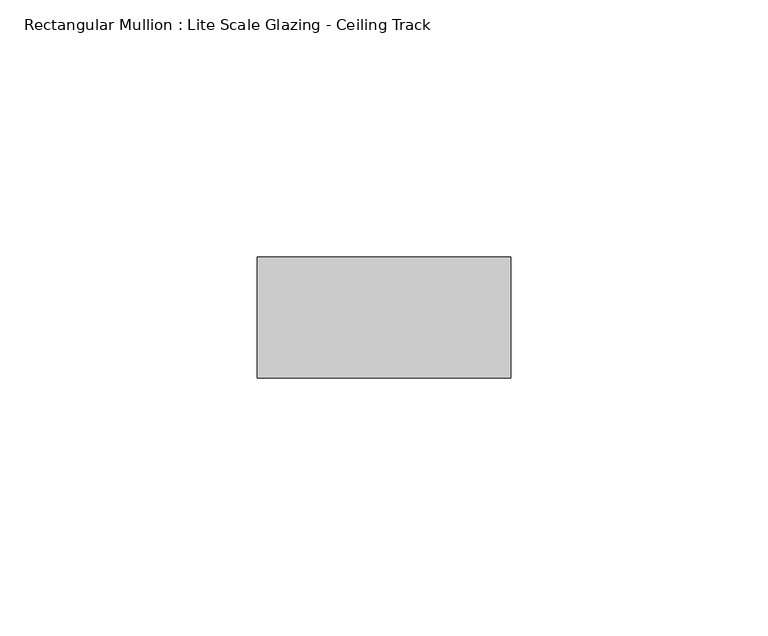
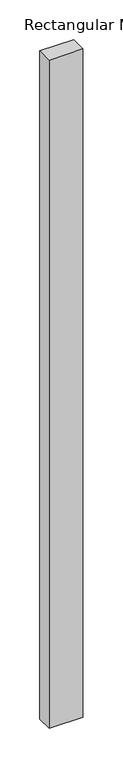
"""IFC4 building model written with IfcOpenShell, lengths in millimetres: member geometry, Rectangular Mullion : Lite Scale Glazing - Ceiling Track."""

from ifc_helpers import new_model, si_unit, frame, origin, place, context, project, spatial, polyline, outline, extrude, source, transform, mapped, element, save


def rectangular_mullion_lite_scale_glazing_ceiling_track_7d715740(model_context):
    return source(origin(), model_context, "Body", "SweptSolid", [
        extrude(outline(polyline([(-49.276, -11.7474999), (-49.276, 11.7474999), (0.0, 11.7474999), (0.0, -11.7474999), (-49.276, -11.7474999)])), frame((0.0, 0.0, -1027.1612989), z_axis=(0.0, 0.0, 1.0), x_axis=(1.0, 0.0, 0.0)), (0.0, 0.0, 1.0), 1027.1612989),
    ])


if __name__ == "__main__":
    model = new_model("IFC4")
    model_context = context("Model", 3, world=origin())
    ifc_project = project(units=[si_unit("LENGTHUNIT", "METRE", prefix="MILLI")], contexts=[model_context])
    site = spatial("IfcSite", under=ifc_project)
    building = spatial("IfcBuilding", under=site)
    placement = place(None, origin())
    rectangular_mullion_lite_scale_glazing_ceiling_track_shape = rectangular_mullion_lite_scale_glazing_ceiling_track_7d715740(model_context)
    element("IfcMember", 1, ObjectType="Rectangular Mullion : Lite Scale Glazing - Ceiling Track", at=placement, inside=building, context=model_context, shape_type="MappedRepresentation", body=[
        mapped(rectangular_mullion_lite_scale_glazing_ceiling_track_shape, transform((0.0, 0.0, 0.0), x_axis=(1.0, 0.0, 0.0), y_axis=(0.0, 1.0, 0.0), z_axis=(0.0, 0.0, 1.0))),
    ])
    save(model, "model.ifc")
